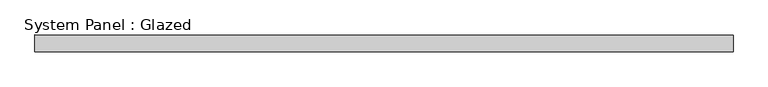
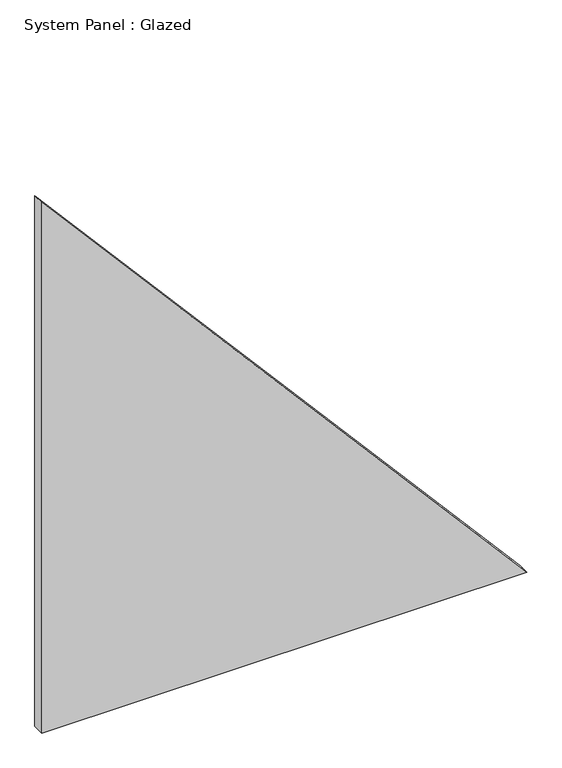
"""IFC4 building model written with IfcOpenShell, lengths in millimetres: plate geometry, System Panel : Glazed."""

from ifc_helpers import new_model, si_unit, frame, origin, place, context, project, spatial, polyline, outline, extrude, source, transform, mapped, element, save


def system_panel_glazed_41e098a7(model_context):
    return source(origin(), model_context, "Body", "SweptSolid", [
        extrude(outline(polyline([(0.0, -519.7579681), (0.0, 519.7579681), (1200.3296111, -519.7579681), (0.0, -519.7579681)])), frame((0.0, 24.5, 0.0), z_axis=(0.0, 1.0, 0.0), x_axis=(0.0, 0.0, 1.0)), (0.0, 0.0, 1.0), 25.0),
    ])


if __name__ == "__main__":
    model = new_model("IFC4")
    model_context = context("Model", 3, world=origin())
    ifc_project = project(units=[si_unit("LENGTHUNIT", "METRE", prefix="MILLI")], contexts=[model_context])
    site = spatial("IfcSite", under=ifc_project)
    building = spatial("IfcBuilding", under=site)
    placement = place(None, origin())
    system_panel_glazed_shape = system_panel_glazed_41e098a7(model_context)
    element("IfcPlate", 1, ObjectType="System Panel : Glazed", at=placement, inside=building, context=model_context, shape_type="MappedRepresentation", body=[
        mapped(system_panel_glazed_shape, transform((0.0, 0.0, 0.0), x_axis=(1.0, 0.0, 0.0), y_axis=(0.0, 1.0, 0.0), z_axis=(0.0, 0.0, 1.0))),
    ])
    save(model, "model.ifc")
